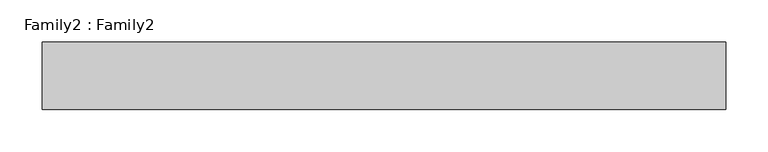
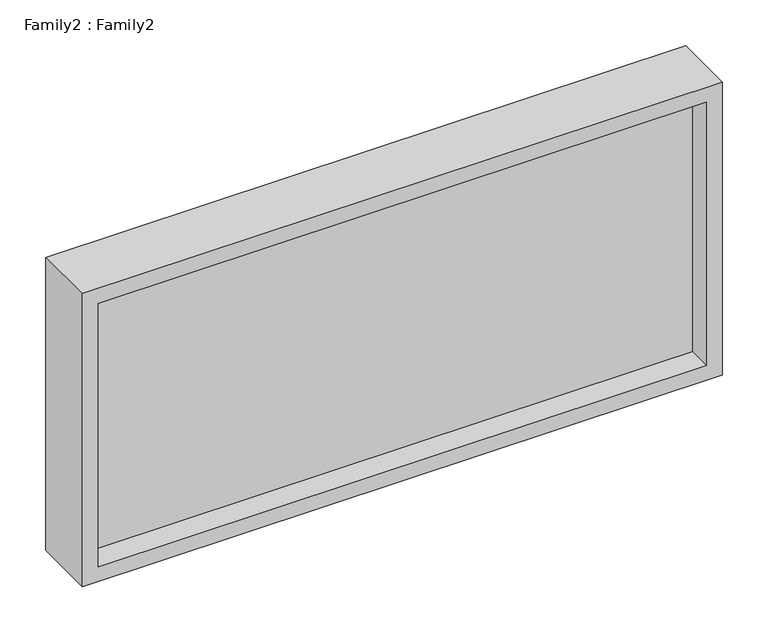
"""IFC4 building model written with IfcOpenShell, lengths in millimetres: plate geometry, Family2 : Family2."""

from ifc_helpers import new_model, si_unit, frame, origin, place, context, project, spatial, polyline, outline, extrude, source, transform, mapped, element, save


def family2_family2_6fde1801(model_context):
    return source(origin(), model_context, "Body", "SweptSolid", [
        extrude(outline(polyline([(391.6666667, -404.1666667), (0.0, -404.1666667), (0.0, 404.1666667), (391.6666667, 404.1666667), (391.6666667, -404.1666667)]), holes=[polyline([(20.0, -384.1666667), (371.6666667, -384.1666667), (371.6666667, 384.1666667), (20.0, 384.1666667), (20.0, -384.1666667)])]), frame((0.0, -40.0, 0.0), z_axis=(0.0, 1.0, 0.0), x_axis=(0.0, 0.0, 1.0)), (0.0, 0.0, 1.0), 80.0),
        extrude(outline(polyline([(384.1666667, -10.0), (-384.1666667, -10.0), (-384.1666667, 10.0), (384.1666667, 10.0), (384.1666667, -10.0)])), frame((0.0, 0.0, 20.0), z_axis=(0.0, 0.0, 1.0), x_axis=(1.0, 0.0, 0.0)), (0.0, 0.0, 1.0), 351.6666667),
    ])


if __name__ == "__main__":
    model = new_model("IFC4")
    model_context = context("Model", 3, world=origin())
    ifc_project = project(units=[si_unit("LENGTHUNIT", "METRE", prefix="MILLI")], contexts=[model_context])
    site = spatial("IfcSite", under=ifc_project)
    building = spatial("IfcBuilding", under=site)
    placement = place(None, origin())
    family2_family2_shape = family2_family2_6fde1801(model_context)
    element("IfcPlate", 1, ObjectType="Family2 : Family2", at=placement, inside=building, context=model_context, shape_type="MappedRepresentation", body=[
        mapped(family2_family2_shape, transform((0.0, 0.0, 0.0), x_axis=(1.0, 0.0, 0.0), y_axis=(0.0, 1.0, 0.0), z_axis=(0.0, 0.0, 1.0))),
    ])
    save(model, "model.ifc")
